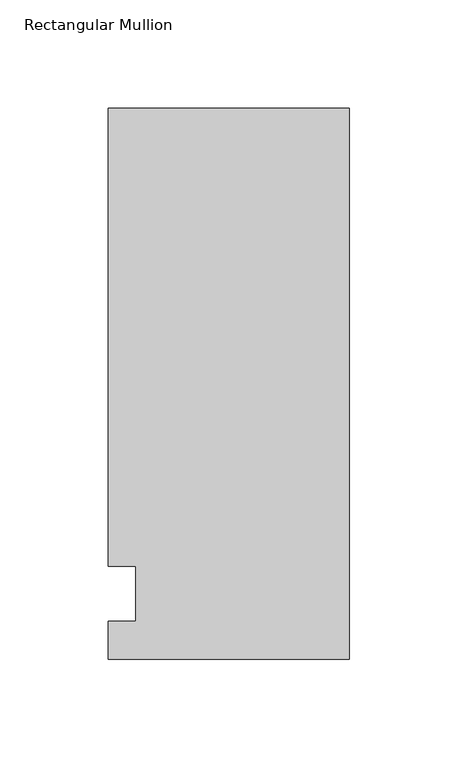
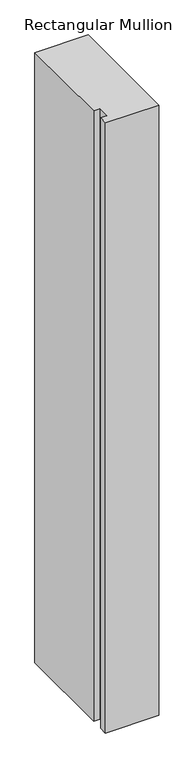
"""IFC4 building model written with IfcOpenShell, lengths in millimetres: member geometry, Rectangular Mullion."""

import ifcopenshell
import ifcopenshell.guid

model = None  # the IFC model being written
_history = None  # IfcOwnerHistory: only IFC2X3 demands one
_inside = {}  # id of a spatial element -> (the spatial element, [elements in it])
_under = {}  # id of a project, library or spatial element -> (it, [spatial elements below it])
_declared = {}  # id of a project -> (the project, [libraries it declares])
_typed = {}  # id of a type object -> (the type object, [elements of that type])
_made_of = {}  # id of a material, layer set ... -> (it, [elements and type objects made of it])


def new_model(schema):
    """Start an empty IFC model of exactly this schema.

    Asked for "IFC4X3", IfcOpenShell would pick the latest addendum, in which some entities
    have other attributes; the version numbers below select the first issue.
    IFC2X3 requires an IfcOwnerHistory on every rooted entity: one is made here for all.
    """
    global model, _history
    if schema == "IFC4X3":
        model = ifcopenshell.file(schema_version=(4, 3, 0, 0))
    else:
        model = ifcopenshell.file(schema=schema)
    _inside.clear()
    _under.clear()
    _declared.clear()
    _typed.clear()
    _made_of.clear()
    _history = None
    if model.schema == "IFC2X3":
        org = make("IfcOrganization", Name="unknown")
        user = make(
            "IfcPersonAndOrganization",
            ThePerson=make("IfcPerson", FamilyName="unknown"),
            TheOrganization=org,
        )
        app = make(
            "IfcApplication",
            ApplicationDeveloper=org,
            Version="unknown",
            ApplicationFullName="unknown",
            ApplicationIdentifier="unknown",
        )
        _history = make(
            "IfcOwnerHistory",
            OwningUser=user,
            OwningApplication=app,
            ChangeAction="ADDED",
            CreationDate=0,
        )
    return model


def make(cls, **values):
    """One entity of the class cls with the attributes given. An attribute that is None is left unset."""
    return model.create_entity(
        cls, **{name: value for name, value in values.items() if value is not None}
    )


def rooted(cls, **values):
    """An entity with a GlobalId (a new one), such as an element, a storey or a relation."""
    return make(cls, GlobalId=ifcopenshell.guid.new(), OwnerHistory=_history, **values)


def si_unit(unit_type, name, prefix=None):
    """IfcSIUnit, for example si_unit("LENGTHUNIT", "METRE", prefix="MILLI")."""
    return make("IfcSIUnit", UnitType=unit_type, Prefix=prefix, Name=name)


def assignment(units):
    """IfcUnitAssignment: the units of a project."""
    return None if units is None else make("IfcUnitAssignment", Units=units)


def point(xyz):
    """IfcCartesianPoint."""
    return None if xyz is None else make("IfcCartesianPoint", Coordinates=xyz)


def direction(xyz):
    """IfcDirection."""
    return None if xyz is None else make("IfcDirection", DirectionRatios=xyz)


def frame(location, z_axis=None, x_axis=None):
    """IfcAxis2Placement3D, a coordinate frame: its origin and axes. An axis left out is left unset."""
    return make(
        "IfcAxis2Placement3D",
        Location=point(location),
        Axis=direction(z_axis),
        RefDirection=direction(x_axis),
    )


def origin():
    """The frame at (0, 0, 0) with its axes left unset."""
    return frame((0.0, 0.0, 0.0))


def place(relative_to, where):
    """IfcLocalPlacement: puts the frame where relative to a parent placement (None: the world)."""
    return make(
        "IfcLocalPlacement", PlacementRelTo=relative_to, RelativePlacement=where
    )


def context(
    kind, dimensions, precision=None, world=None, true_north=None, identifier=None
):
    """IfcGeometricRepresentationContext, for example the 3D "Model" context."""
    return make(
        "IfcGeometricRepresentationContext",
        ContextIdentifier=identifier,
        ContextType=kind,
        CoordinateSpaceDimension=dimensions,
        Precision=precision,
        WorldCoordinateSystem=world,
        TrueNorth=true_north,
    )


def project(units=None, contexts=None):
    """IfcProject with its units and contexts."""
    return rooted(
        "IfcProject",
        Name="project",
        RepresentationContexts=contexts,
        UnitsInContext=assignment(units),
    )


def spatial(cls, under=None, at=None, **own):
    """A site, building, storey or space (cls), placed at a placement, below another one or the project."""
    s = rooted(cls, ObjectPlacement=at, **own)
    if under is not None:
        _under.setdefault(under.id(), (under, []))[1].append(s)
    return s


def polyline(points):
    """IfcPolyline through the points."""
    return make("IfcPolyline", Points=[point(p) for p in points])


def outline(outer, holes=None, kind="AREA"):
    """IfcArbitraryClosedProfileDef: a profile drawn as a closed curve; with holes, ...WithVoids."""
    if holes is None:
        return make("IfcArbitraryClosedProfileDef", ProfileType=kind, OuterCurve=outer)
    return make(
        "IfcArbitraryProfileDefWithVoids",
        ProfileType=kind,
        OuterCurve=outer,
        InnerCurves=holes,
    )


def extrude(swept, where, along, depth):
    """IfcExtrudedAreaSolid: the profile swept, set in the frame where, extruded along a direction by depth."""
    return make(
        "IfcExtrudedAreaSolid",
        SweptArea=swept,
        Position=where,
        ExtrudedDirection=direction(along),
        Depth=depth,
    )


def shape(context_of_items, identifier, shape_type, items):
    """IfcShapeRepresentation: the items that make up one representation, for example the "Body"."""
    return make(
        "IfcShapeRepresentation",
        ContextOfItems=context_of_items,
        RepresentationIdentifier=identifier,
        RepresentationType=shape_type,
        Items=items,
    )


def source(mapping_origin, context_of_items, identifier, shape_type, items):
    """IfcRepresentationMap: a shape defined once, which mapped items show again and again."""
    return make(
        "IfcRepresentationMap",
        MappingOrigin=mapping_origin,
        MappedRepresentation=shape(context_of_items, identifier, shape_type, items),
    )


def transform(
    local_origin,
    x_axis=None,
    y_axis=None,
    z_axis=None,
    scale=None,
    scale2=None,
    scale3=None,
    uniform=True,
):
    """IfcCartesianTransformationOperator3D, or its non-uniform kind. x_axis, y_axis, z_axis: its Axis1, 2, 3."""
    if uniform:
        return make(
            "IfcCartesianTransformationOperator3D",
            Axis1=direction(x_axis),
            Axis2=direction(y_axis),
            LocalOrigin=point(local_origin),
            Scale=scale,
            Axis3=direction(z_axis),
        )
    return make(
        "IfcCartesianTransformationOperator3DnonUniform",
        Axis1=direction(x_axis),
        Axis2=direction(y_axis),
        LocalOrigin=point(local_origin),
        Scale=scale,
        Axis3=direction(z_axis),
        Scale2=scale2,
        Scale3=scale3,
    )


def mapped(mapping_source, mapping_target):
    """IfcMappedItem: shows the shape of a source again, moved by a transform."""
    return make(
        "IfcMappedItem", MappingSource=mapping_source, MappingTarget=mapping_target
    )


def made_of(thing, what):
    """Note that an element or type object is made of a material, layer set ...; save() writes the relation."""
    if what is not None:
        _made_of.setdefault(what.id(), (what, []))[1].append(thing)
    return thing


def element(
    cls,
    number,
    at=None,
    inside=None,
    cuts=None,
    type_object=None,
    material=None,
    context=None,
    identifier="Body",
    shape_type=None,
    held_by="IfcProductDefinitionShape",
    body=None,
    shapes=None,
    **own,
):
    """One element of the class cls, such as IfcWall. Its Tag is "e" and its number.

    at: its placement. inside: the storey or other place that contains it. cuts: it is an
    opening in that element (IfcRelVoidsElement). A single representation is given by context,
    identifier, shape_type and body (its items); several are given by shapes. held_by: the class
    of the entity that holds the representations. save() writes the other relations.
    """
    e = rooted(cls, Tag="e%d" % number, ObjectPlacement=at, **own)
    if body is not None:
        shapes = [shape(context, identifier, shape_type, body)]
    if shapes is not None:
        e.Representation = make(held_by, Representations=shapes)
    if inside is not None:
        _inside.setdefault(inside.id(), (inside, []))[1].append(e)
    if cuts is not None:
        rooted(
            "IfcRelVoidsElement", RelatingBuildingElement=cuts, RelatedOpeningElement=e
        )
    if type_object is not None:
        _typed.setdefault(type_object.id(), (type_object, []))[1].append(e)
    return made_of(e, material)


def aggregate(whole, parts):
    """IfcRelAggregates: a whole, such as a stair, and the parts it consists of."""
    return rooted("IfcRelAggregates", RelatingObject=whole, RelatedObjects=parts)


def save(model, path):
    """Write the relations noted so far, then the file.

    IfcRelAggregates (storeys below a building ...), IfcRelContainedInSpatialStructure (elements
    in a storey), IfcRelDefinesByType, IfcRelAssociatesMaterial and IfcRelDeclares: one each for
    every whole, place, type object, material and project.
    """
    for whole, parts in _under.values():
        aggregate(whole, parts)
    for where, things in _inside.values():
        rooted(
            "IfcRelContainedInSpatialStructure",
            RelatedElements=things,
            RelatingStructure=where,
        )
    for kind, things in _typed.values():
        rooted("IfcRelDefinesByType", RelatedObjects=things, RelatingType=kind)
    for what, things in _made_of.values():
        rooted("IfcRelAssociatesMaterial", RelatedObjects=things, RelatingMaterial=what)
    for by, libraries in _declared.values():
        rooted("IfcRelDeclares", RelatingContext=by, RelatedDefinitions=libraries)
    model.write(path)


def rectangular_mullion_7979788a(model_context):
    return source(origin(), model_context, "Body", "SweptSolid", [
        extrude(outline(polyline([(-111.125, 223.8375), (0.0, 223.8375), (0.0, -30.1625), (-111.125, -30.1625), (-111.125, -12.7), (-98.4232296, -12.7), (-98.4232296, 12.7), (-111.125, 12.7), (-111.125, 223.8375)])), frame((0.0, 0.0, -1340.807264), z_axis=(0.0, 0.0, 1.0), x_axis=(1.0, 0.0, 0.0)), (0.0, 0.0, 1.0), 1340.807264),
    ])


if __name__ == "__main__":
    model = new_model("IFC4")
    model_context = context("Model", 3, world=origin())
    ifc_project = project(units=[si_unit("LENGTHUNIT", "METRE", prefix="MILLI")], contexts=[model_context])
    site = spatial("IfcSite", under=ifc_project)
    building = spatial("IfcBuilding", under=site)
    placement = place(None, origin())
    rectangular_mullion_shape = rectangular_mullion_7979788a(model_context)
    element("IfcMember", 1, ObjectType="Rectangular Mullion", at=placement, inside=building, context=model_context, shape_type="MappedRepresentation", body=[
        mapped(rectangular_mullion_shape, transform((0.0, 0.0, 0.0), x_axis=(1.0, 0.0, 0.0), y_axis=(0.0, 1.0, 0.0), z_axis=(0.0, 0.0, 1.0))),
    ])
    save(model, "model.ifc")
